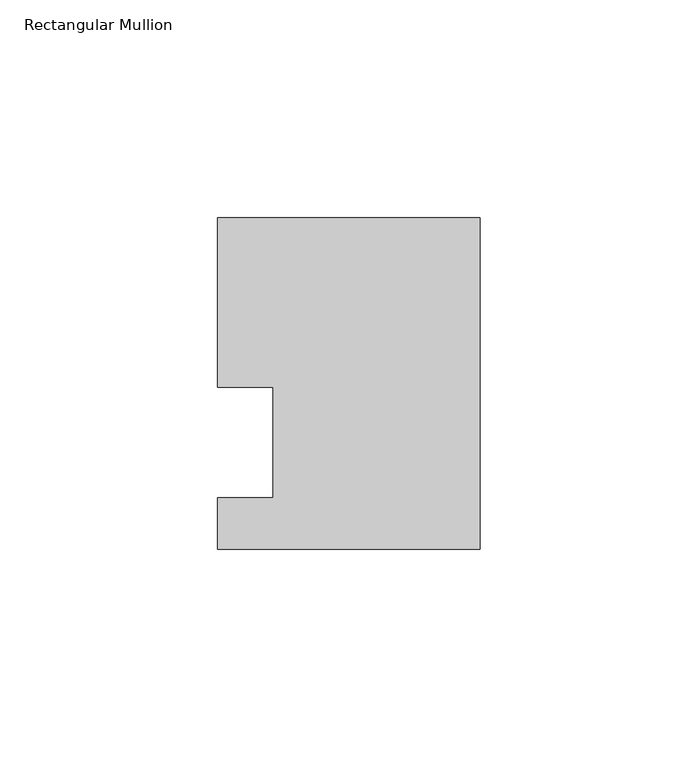
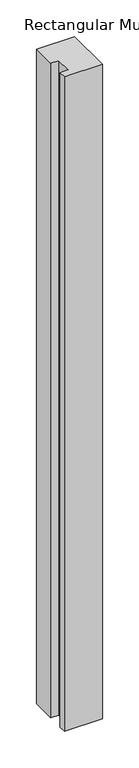
"""IFC4 building model written with IfcOpenShell, lengths in millimetres: member geometry, Rectangular Mullion."""

from ifc_helpers import new_model, si_unit, frame, origin, place, context, project, spatial, polyline, outline, extrude, source, transform, mapped, element, save


def rectangular_mullion_adfe8b08(model_context):
    return source(origin(), model_context, "Body", "SweptSolid", [
        extrude(outline(polyline([(-60.325, 51.59375), (0.0, 51.59375), (0.0, -24.60625), (-60.325, -24.60625), (-60.325, -12.7), (-47.6232296, -12.7), (-47.6232296, 12.7), (-60.325, 12.7), (-60.325, 51.59375)])), frame((0.0, 0.0, -1091.0405973), z_axis=(0.0, 0.0, 1.0), x_axis=(1.0, 0.0, 0.0)), (0.0, 0.0, 1.0), 1091.0405973),
    ])


if __name__ == "__main__":
    model = new_model("IFC4")
    model_context = context("Model", 3, world=origin())
    ifc_project = project(units=[si_unit("LENGTHUNIT", "METRE", prefix="MILLI")], contexts=[model_context])
    site = spatial("IfcSite", under=ifc_project)
    building = spatial("IfcBuilding", under=site)
    placement = place(None, origin())
    rectangular_mullion_shape = rectangular_mullion_adfe8b08(model_context)
    element("IfcMember", 1, ObjectType="Rectangular Mullion", at=placement, inside=building, context=model_context, shape_type="MappedRepresentation", body=[
        mapped(rectangular_mullion_shape, transform((0.0, 0.0, 0.0), x_axis=(1.0, 0.0, 0.0), y_axis=(0.0, 1.0, 0.0), z_axis=(0.0, 0.0, 1.0))),
    ])
    save(model, "model.ifc")
